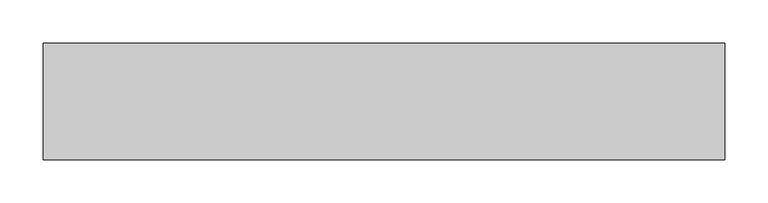
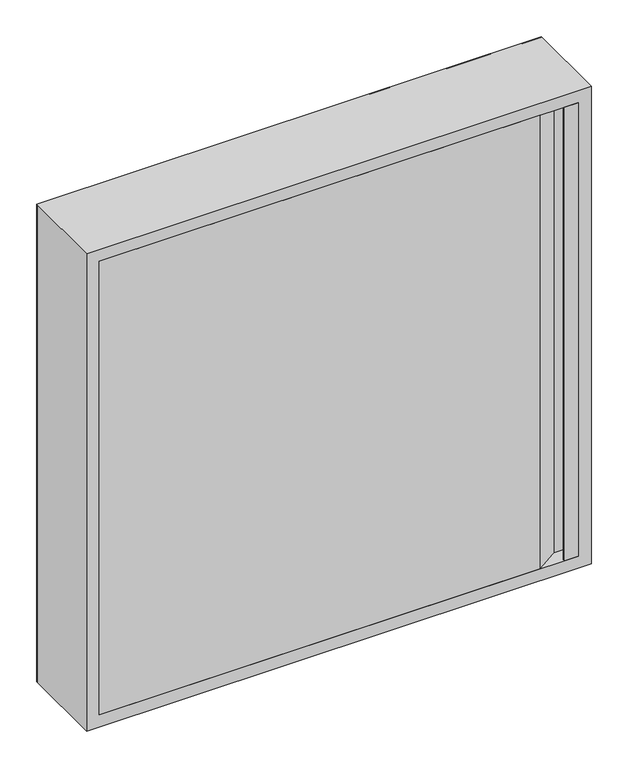
"""IFC4 building model written with IfcOpenShell, lengths in millimetres: fire suppression terminal geometry."""

import ifcopenshell
import ifcopenshell.guid

model = None  # the IFC model being written
_history = None  # IfcOwnerHistory: only IFC2X3 demands one
_inside = {}  # id of a spatial element -> (the spatial element, [elements in it])
_under = {}  # id of a project, library or spatial element -> (it, [spatial elements below it])
_declared = {}  # id of a project -> (the project, [libraries it declares])
_typed = {}  # id of a type object -> (the type object, [elements of that type])
_made_of = {}  # id of a material, layer set ... -> (it, [elements and type objects made of it])


def new_model(schema):
    """Start an empty IFC model of exactly this schema.

    Asked for "IFC4X3", IfcOpenShell would pick the latest addendum, in which some entities
    have other attributes; the version numbers below select the first issue.
    IFC2X3 requires an IfcOwnerHistory on every rooted entity: one is made here for all.
    """
    global model, _history
    if schema == "IFC4X3":
        model = ifcopenshell.file(schema_version=(4, 3, 0, 0))
    else:
        model = ifcopenshell.file(schema=schema)
    _inside.clear()
    _under.clear()
    _declared.clear()
    _typed.clear()
    _made_of.clear()
    _history = None
    if model.schema == "IFC2X3":
        org = make("IfcOrganization", Name="unknown")
        user = make(
            "IfcPersonAndOrganization",
            ThePerson=make("IfcPerson", FamilyName="unknown"),
            TheOrganization=org,
        )
        app = make(
            "IfcApplication",
            ApplicationDeveloper=org,
            Version="unknown",
            ApplicationFullName="unknown",
            ApplicationIdentifier="unknown",
        )
        _history = make(
            "IfcOwnerHistory",
            OwningUser=user,
            OwningApplication=app,
            ChangeAction="ADDED",
            CreationDate=0,
        )
    return model


def make(cls, **values):
    """One entity of the class cls with the attributes given. An attribute that is None is left unset."""
    return model.create_entity(
        cls, **{name: value for name, value in values.items() if value is not None}
    )


def rooted(cls, **values):
    """An entity with a GlobalId (a new one), such as an element, a storey or a relation."""
    return make(cls, GlobalId=ifcopenshell.guid.new(), OwnerHistory=_history, **values)


def si_unit(unit_type, name, prefix=None):
    """IfcSIUnit, for example si_unit("LENGTHUNIT", "METRE", prefix="MILLI")."""
    return make("IfcSIUnit", UnitType=unit_type, Prefix=prefix, Name=name)


def assignment(units):
    """IfcUnitAssignment: the units of a project."""
    return None if units is None else make("IfcUnitAssignment", Units=units)


def point(xyz):
    """IfcCartesianPoint."""
    return None if xyz is None else make("IfcCartesianPoint", Coordinates=xyz)


def direction(xyz):
    """IfcDirection."""
    return None if xyz is None else make("IfcDirection", DirectionRatios=xyz)


def frame(location, z_axis=None, x_axis=None):
    """IfcAxis2Placement3D, a coordinate frame: its origin and axes. An axis left out is left unset."""
    return make(
        "IfcAxis2Placement3D",
        Location=point(location),
        Axis=direction(z_axis),
        RefDirection=direction(x_axis),
    )


def frame_2d(location, x_axis=None):
    """IfcAxis2Placement2D, a coordinate frame in the plane: its origin and x axis."""
    return make(
        "IfcAxis2Placement2D", Location=point(location), RefDirection=direction(x_axis)
    )


def origin():
    """The frame at (0, 0, 0) with its axes left unset."""
    return frame((0.0, 0.0, 0.0))


def place(relative_to, where):
    """IfcLocalPlacement: puts the frame where relative to a parent placement (None: the world)."""
    return make(
        "IfcLocalPlacement", PlacementRelTo=relative_to, RelativePlacement=where
    )


def context(
    kind, dimensions, precision=None, world=None, true_north=None, identifier=None
):
    """IfcGeometricRepresentationContext, for example the 3D "Model" context."""
    return make(
        "IfcGeometricRepresentationContext",
        ContextIdentifier=identifier,
        ContextType=kind,
        CoordinateSpaceDimension=dimensions,
        Precision=precision,
        WorldCoordinateSystem=world,
        TrueNorth=true_north,
    )


def project(units=None, contexts=None):
    """IfcProject with its units and contexts."""
    return rooted(
        "IfcProject",
        Name="project",
        RepresentationContexts=contexts,
        UnitsInContext=assignment(units),
    )


def spatial(cls, under=None, at=None, **own):
    """A site, building, storey or space (cls), placed at a placement, below another one or the project."""
    s = rooted(cls, ObjectPlacement=at, **own)
    if under is not None:
        _under.setdefault(under.id(), (under, []))[1].append(s)
    return s


def polyline(points):
    """IfcPolyline through the points."""
    return make("IfcPolyline", Points=[point(p) for p in points])


def circle_curve(where, radius):
    """IfcCircle in the frame where."""
    return make("IfcCircle", Position=where, Radius=radius)


def trimmed(basis, trim1, trim2, sense, master):
    """IfcTrimmedCurve: the piece of a basis curve between two trims."""
    return make(
        "IfcTrimmedCurve",
        BasisCurve=basis,
        Trim1=trim1,
        Trim2=trim2,
        SenseAgreement=sense,
        MasterRepresentation=master,
    )


def segment(curve, same_sense, transition):
    """IfcCompositeCurveSegment."""
    return make(
        "IfcCompositeCurveSegment",
        Transition=transition,
        SameSense=same_sense,
        ParentCurve=curve,
    )


def composite_curve(segments, self_intersect=None):
    """IfcCompositeCurve: segments joined end to end."""
    return make("IfcCompositeCurve", Segments=segments, SelfIntersect=self_intersect)


def outline(outer, holes=None, kind="AREA"):
    """IfcArbitraryClosedProfileDef: a profile drawn as a closed curve; with holes, ...WithVoids."""
    if holes is None:
        return make("IfcArbitraryClosedProfileDef", ProfileType=kind, OuterCurve=outer)
    return make(
        "IfcArbitraryProfileDefWithVoids",
        ProfileType=kind,
        OuterCurve=outer,
        InnerCurves=holes,
    )


def extrude(swept, where, along, depth):
    """IfcExtrudedAreaSolid: the profile swept, set in the frame where, extruded along a direction by depth."""
    return make(
        "IfcExtrudedAreaSolid",
        SweptArea=swept,
        Position=where,
        ExtrudedDirection=direction(along),
        Depth=depth,
    )


def faces_of(points, faces, orient=None, outer=None):
    """IfcFace entities. A face is a list of loops; a loop is a list of indices into points, from 0.

    orient and outer hold one flag for each loop. By default every Orientation is true, the
    first loop of a face is its IfcFaceOuterBound and the others are IfcFaceBound.
    """
    made = []
    for i, loops in enumerate(faces):
        bounds = []
        for j, loop in enumerate(loops):
            is_outer = j == 0 if outer is None else outer[i][j]
            bounds.append(
                make(
                    "IfcFaceOuterBound" if is_outer else "IfcFaceBound",
                    Bound=make("IfcPolyLoop", Polygon=[points[k] for k in loop]),
                    Orientation=True if orient is None else orient[i][j],
                )
            )
        made.append(make("IfcFace", Bounds=bounds))
    return made


def faceted_brep(points, faces, orient=None, outer=None, voids=None):
    """IfcFacetedBrep: a solid bounded by flat faces; with voids (closed shells), ...WithVoids."""
    shared = [point(p) for p in points]
    hull = make("IfcClosedShell", CfsFaces=faces_of(shared, faces, orient, outer))
    if voids is None:
        return make("IfcFacetedBrep", Outer=hull)
    return make(
        "IfcFacetedBrepWithVoids",
        Outer=hull,
        Voids=[
            make(cls, CfsFaces=faces_of(shared, fs, o, b)) for cls, fs, o, b in voids
        ],
    )


def shape(context_of_items, identifier, shape_type, items):
    """IfcShapeRepresentation: the items that make up one representation, for example the "Body"."""
    return make(
        "IfcShapeRepresentation",
        ContextOfItems=context_of_items,
        RepresentationIdentifier=identifier,
        RepresentationType=shape_type,
        Items=items,
    )


def source(mapping_origin, context_of_items, identifier, shape_type, items):
    """IfcRepresentationMap: a shape defined once, which mapped items show again and again."""
    return make(
        "IfcRepresentationMap",
        MappingOrigin=mapping_origin,
        MappedRepresentation=shape(context_of_items, identifier, shape_type, items),
    )


def transform(
    local_origin,
    x_axis=None,
    y_axis=None,
    z_axis=None,
    scale=None,
    scale2=None,
    scale3=None,
    uniform=True,
):
    """IfcCartesianTransformationOperator3D, or its non-uniform kind. x_axis, y_axis, z_axis: its Axis1, 2, 3."""
    if uniform:
        return make(
            "IfcCartesianTransformationOperator3D",
            Axis1=direction(x_axis),
            Axis2=direction(y_axis),
            LocalOrigin=point(local_origin),
            Scale=scale,
            Axis3=direction(z_axis),
        )
    return make(
        "IfcCartesianTransformationOperator3DnonUniform",
        Axis1=direction(x_axis),
        Axis2=direction(y_axis),
        LocalOrigin=point(local_origin),
        Scale=scale,
        Axis3=direction(z_axis),
        Scale2=scale2,
        Scale3=scale3,
    )


def mapped(mapping_source, mapping_target):
    """IfcMappedItem: shows the shape of a source again, moved by a transform."""
    return make(
        "IfcMappedItem", MappingSource=mapping_source, MappingTarget=mapping_target
    )


def made_of(thing, what):
    """Note that an element or type object is made of a material, layer set ...; save() writes the relation."""
    if what is not None:
        _made_of.setdefault(what.id(), (what, []))[1].append(thing)
    return thing


def element(
    cls,
    number,
    at=None,
    inside=None,
    cuts=None,
    type_object=None,
    material=None,
    context=None,
    identifier="Body",
    shape_type=None,
    held_by="IfcProductDefinitionShape",
    body=None,
    shapes=None,
    **own,
):
    """One element of the class cls, such as IfcWall. Its Tag is "e" and its number.

    at: its placement. inside: the storey or other place that contains it. cuts: it is an
    opening in that element (IfcRelVoidsElement). A single representation is given by context,
    identifier, shape_type and body (its items); several are given by shapes. held_by: the class
    of the entity that holds the representations. save() writes the other relations.
    """
    e = rooted(cls, Tag="e%d" % number, ObjectPlacement=at, **own)
    if body is not None:
        shapes = [shape(context, identifier, shape_type, body)]
    if shapes is not None:
        e.Representation = make(held_by, Representations=shapes)
    if inside is not None:
        _inside.setdefault(inside.id(), (inside, []))[1].append(e)
    if cuts is not None:
        rooted(
            "IfcRelVoidsElement", RelatingBuildingElement=cuts, RelatedOpeningElement=e
        )
    if type_object is not None:
        _typed.setdefault(type_object.id(), (type_object, []))[1].append(e)
    return made_of(e, material)


def aggregate(whole, parts):
    """IfcRelAggregates: a whole, such as a stair, and the parts it consists of."""
    return rooted("IfcRelAggregates", RelatingObject=whole, RelatedObjects=parts)


def save(model, path):
    """Write the relations noted so far, then the file.

    IfcRelAggregates (storeys below a building ...), IfcRelContainedInSpatialStructure (elements
    in a storey), IfcRelDefinesByType, IfcRelAssociatesMaterial and IfcRelDeclares: one each for
    every whole, place, type object, material and project.
    """
    for whole, parts in _under.values():
        aggregate(whole, parts)
    for where, things in _inside.values():
        rooted(
            "IfcRelContainedInSpatialStructure",
            RelatedElements=things,
            RelatingStructure=where,
        )
    for kind, things in _typed.values():
        rooted("IfcRelDefinesByType", RelatedObjects=things, RelatingType=kind)
    for what, things in _made_of.values():
        rooted("IfcRelAssociatesMaterial", RelatedObjects=things, RelatingMaterial=what)
    for by, libraries in _declared.values():
        rooted("IfcRelDeclares", RelatingContext=by, RelatedDefinitions=libraries)
    model.write(path)


def fire_suppression_terminal_7abd9a84(model_context):
    return source(origin(), model_context, "Body", "SolidModel", [
        extrude(outline(composite_curve([segment(trimmed(circle_curve(frame_2d((-355.1374166, -354.9676042)), 3.007614), [point((-352.1298027, -354.9676042))], [point((-358.1450306, -354.9676042))], False, "CARTESIAN"), True, "CONTINUOUS"), segment(trimmed(circle_curve(frame_2d((-355.1374166, -354.9676042)), 3.007614), [point((-358.1450306, -354.9676042))], [point((-352.1298027, -354.9676042))], False, "CARTESIAN"), True, "CONTINUOUS")], self_intersect=False)), frame((0.0, -20.0, 0.0), z_axis=(0.0, 1.0, 0.0), x_axis=(0.0, 0.0, 1.0)), (0.0, 0.0, 1.0), 15.0),
        extrude(outline(polyline([(353.0, -135.0), (353.0, -132.0), (354.5, -132.0), (354.5, -133.5), (373.5, -133.5), (373.5, -111.5), (350.0, -111.5), (315.0, -135.0), (-375.0, -135.0), (-375.0, -110.0), (-373.5, -110.0), (-373.5, -133.5), (314.5431419, -133.5), (349.5431419, -110.0), (375.0, -110.0), (375.0, -135.0), (353.0, -135.0)])), frame((0.0, 0.0, -375.0), z_axis=(0.0, 0.0, 1.0), x_axis=(1.0, 0.0, 0.0)), (0.0, 0.0, 1.0), 750.0),
        faceted_brep([(-375.0, -110.0, 375.0), (-375.0, -135.0, 375.0), (-375.0, -135.0, -375.0), (-375.0, -110.0, -375.0), (-376.5, -133.5, 376.5), (-376.5, -110.0, 376.5), (-376.5, -110.0, -376.5), (-376.5, -133.5, -376.5), (-393.5, -1.5, 393.5), (-393.5, -133.5, 393.5), (-393.5, -133.5, -393.5), (-393.5, -1.5, -393.5), (-375.0, 0.0, 375.0), (-375.0, -1.5, 375.0), (-375.0, -1.5, -375.0), (-375.0, 0.0, -375.0), (-395.0, -135.0, 395.0), (-395.0, 0.0, 395.0), (-395.0, 0.0, -395.0), (-395.0, -135.0, -395.0), (375.0, -135.0, -375.0), (375.0, -110.0, -375.0), (376.5, -110.0, -376.5), (376.5, -133.5, -376.5), (393.5, -133.5, -393.5), (393.5, -1.5, -393.5), (375.0, -1.5, -375.0), (375.0, 0.0, -375.0), (395.0, 0.0, -395.0), (395.0, -135.0, -395.0), (375.0, -135.0, 375.0), (375.0, -110.0, 375.0), (376.5, -110.0, 376.5), (376.5, -133.5, 376.5), (393.5, -133.5, 393.5), (393.5, -1.5, 393.5), (375.0, -1.5, 375.0), (375.0, 0.0, 375.0), (395.0, 0.0, 395.0), (395.0, -135.0, 395.0)], [[[0, 1, 2, 3]], [[4, 5, 6, 7]], [[8, 9, 10, 11]], [[12, 13, 14, 15]], [[16, 17, 18, 19]], [[3, 2, 20, 21]], [[7, 6, 22, 23]], [[11, 10, 24, 25]], [[15, 14, 26, 27]], [[19, 18, 28, 29]], [[21, 20, 30, 31]], [[23, 22, 32, 33]], [[25, 24, 34, 35]], [[27, 26, 36, 37]], [[29, 28, 38, 39]], [[1, 0, 31, 30]], [[6, 5, 32, 22], [0, 3, 21, 31]], [[5, 4, 33, 32]], [[10, 9, 34, 24], [4, 7, 23, 33]], [[9, 8, 35, 34]], [[8, 11, 25, 35], [14, 13, 36, 26]], [[13, 12, 37, 36]], [[18, 17, 38, 28], [12, 15, 27, 37]], [[17, 16, 39, 38]], [[16, 19, 29, 39], [2, 1, 30, 20]]]),
        extrude(outline(polyline([(395.0, 395.0), (395.0, -395.0), (-395.0, -395.0), (-395.0, 395.0), (395.0, 395.0)]), holes=[composite_curve([segment(trimmed(circle_curve(frame_2d((-355.1374166, -354.9676042)), 18.5), [point((-355.1374166, -373.4676042))], [point((-355.1374166, -336.4676042))], True, "CARTESIAN"), True, "CONTINUOUS"), segment(trimmed(circle_curve(frame_2d((-355.1374166, -354.9676042)), 18.5), [point((-355.1374166, -336.4676042))], [point((-355.1374166, -373.4676042))], True, "CARTESIAN"), True, "CONTINUOUS")], self_intersect=False)]), frame((0.0, -1.5, 0.0), z_axis=(0.0, 1.0, 0.0), x_axis=(0.0, 0.0, 1.0)), (0.0, 0.0, 1.0), 1.5),
    ])


if __name__ == "__main__":
    model = new_model("IFC4")
    model_context = context("Model", 3, world=origin())
    ifc_project = project(units=[si_unit("LENGTHUNIT", "METRE", prefix="MILLI")], contexts=[model_context])
    site = spatial("IfcSite", under=ifc_project)
    building = spatial("IfcBuilding", under=site)
    placement = place(None, origin())
    fire_suppression_terminal_shape = fire_suppression_terminal_7abd9a84(model_context)
    element("IfcFireSuppressionTerminal", 1, at=placement, inside=building, context=model_context, shape_type="MappedRepresentation", body=[
        mapped(fire_suppression_terminal_shape, transform((0.0, 0.0, 0.0), x_axis=(1.0, 0.0, 0.0), y_axis=(0.0, 1.0, 0.0), z_axis=(0.0, 0.0, 1.0))),
    ])
    save(model, "model.ifc")
